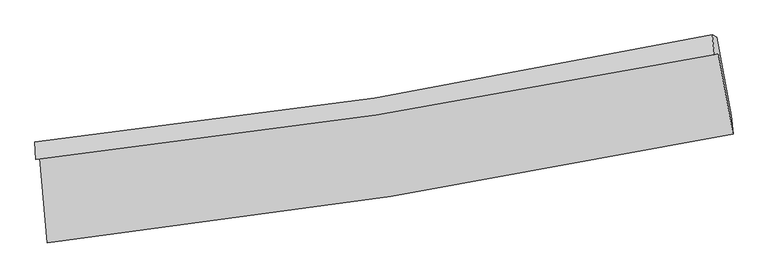
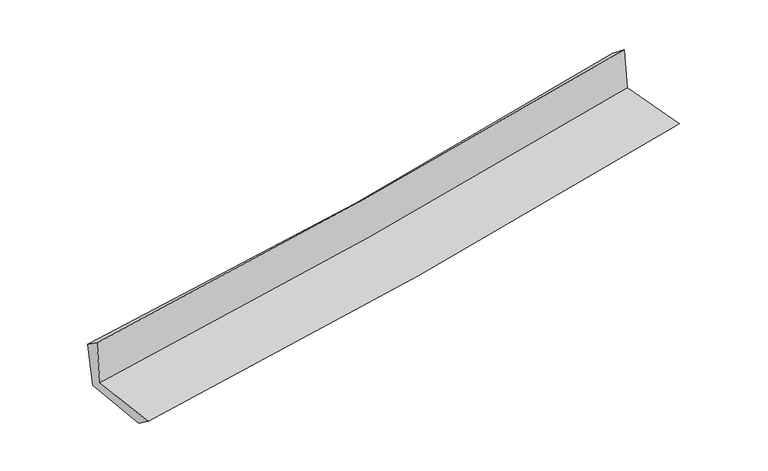
"""IFC4 building model written with IfcOpenShell, lengths in millimetres: proxy geometry."""

from ifc_helpers import new_model, si_unit, frame, origin, place, context, project, spatial, source, transform, mapped, element, save
from ifc_brep_helpers import plane_surface, spline_curve, spline_surface, advanced_brep


def generic_models_3df35e42(model_context):
    return source(origin(), model_context, "Body", "AdvancedBrep", [
        advanced_brep(
        [(-2748.4697836, -1896.8753223, 1627.7554279), (-2685.5612157, -2575.4415637, 1631.4501458), (2819.3617922, -1699.1321137, 2135.1566577), (2700.9911246, -1052.5406572, 2141.4597489), (-2781.0450465, -1905.2395736, 2039.9385171), (2669.7958917, -1060.5505625, 2536.1809676), (-2786.3324936, -1765.2564438, 1944.144223), (2651.1270283, -901.8885041, 2412.2925612), (-2751.3247114, -1783.2507976, 1532.2422722), (2687.9753793, -919.3635634, 2005.3850062), (-2690.6613551, -2427.3146689, 1523.9668543), (2803.3193958, -1550.5340429, 2001.6926983)],
        [
            (0, 1),
            (1, 2, spline_curve(3, [(-2685.5612157, -2575.4415637, 1631.4501458), (-1762.975738429, -2472.711113124, 1720.699472871), (-843.623994157, -2348.462239787, 1807.240670133), (991.369840471, -2056.488839368, 1975.159170278), (1906.992431747, -1888.634562972, 2056.52014326), (2819.3617922, -1699.1321137, 2135.1566577)], [4, 2, 4], [0.0, 9.122451261598725, 18.272364047968633])),
            (2, 3),
            (3, 0, spline_curve(3, [(2700.9911246, -1052.5406572, 2141.4597489), (1797.144038666, -1234.87660198, 2062.845826204), (890.411924821, -1396.480430683, 1980.660475153), (-926.092336077, -1677.801059915, 1809.404295655), (-1835.847191693, -1797.642119409, 1720.354873329), (-2748.4697836, -1896.8753223, 1627.7554279)], [4, 2, 4], [0.0, 9.149912786369908, 18.272364047968633])),
            (4, 0),
            (3, 5),
            (5, 4, spline_curve(3, [(2669.7958917, -1060.5505625, 2536.1809676), (1765.491055916, -1243.004042345, 2463.359070854), (858.415062701, -1404.696168, 2385.524913142), (-958.548526033, -1686.134737146, 2220.080721632), (-1868.419512094, -1806.005615203, 2132.500729137), (-2781.0450465, -1905.2395736, 2039.9385171)], [4, 2, 4], [0.0, 9.101598104128877, 18.175879689769598])),
            (6, 4),
            (5, 7),
            (7, 6, spline_curve(3, [(2651.1270283, -901.8885041, 2412.2925612), (1751.575642079, -1096.829706972, 2332.727960175), (847.991274076, -1266.31756965, 2253.875735796), (-964.519405083, -1553.954326844, 2097.830559204), (-1873.421544354, -1672.255777125, 2020.633337885), (-2786.3324936, -1765.2564438, 1944.144223)], [4, 2, 4], [0.0, 9.091548510378926, 18.155810663996277])),
            (8, 6),
            (7, 9),
            (9, 8, spline_curve(3, [(2687.9753793, -919.3635634, 2005.3850062), (1786.796434782, -1113.751729699, 1940.102115558), (882.245668296, -1283.006894854, 1867.962562415), (-930.874571395, -1570.818669806, 1710.20722179), (-1839.423834897, -1689.525916113, 1624.632530221), (-2751.3247114, -1783.2507976, 1532.2422722)], [4, 2, 4], [0.0, 9.083746323512589, 18.14022970687455])),
            (10, 8),
            (9, 11),
            (11, 10, spline_curve(3, [(2803.3193958, -1550.5340429, 2001.6926983), (1892.848690396, -1745.37179865, 1935.666346646), (979.088597387, -1915.92910193, 1862.772547144), (-852.258034851, -2208.043783893, 1703.489438343), (-1769.824858675, -2329.746689441, 1617.141290135), (-2690.6613551, -2427.3146689, 1523.9668543)], [4, 2, 4], [0.0, 9.13184110840644, 18.236274930354526])),
            (1, 10),
            (11, 2),
        ],
        [
            spline_surface(3, 3, [[(-2748.4697836, -1896.8753223, 1627.7554279), (-1835.847191653, -1797.642119396, 1720.354873415), (-926.092336133, -1677.801059791, 1809.404295763), (890.411924878, -1396.480430807, 1980.660475044), (1797.144038763, -1234.876601998, 2062.845826341), (2700.9911246, -1052.5406572, 2141.4597489)], [(-2727.500260993, -2123.064069447, 1628.987000552), (-1811.556707299, -2022.665117366, 1720.469739926), (-898.602888783, -1901.35478641, 1808.683087269), (924.064563375, -1616.48323369, 1978.826706744), (1833.760169792, -1452.795922347, 2060.737265364), (2740.448013795, -1268.07114269, 2139.358718506)], [(-2706.530738307, -2349.252816553, 1630.218573148), (-1787.266222867, -2247.688115297, 1720.584606381), (-871.113441419, -2124.908513055, 1807.961878768), (957.717201885, -1836.486036599, 1976.992938437), (1870.376300838, -1670.715242727, 2058.628704369), (2779.904903005, -1483.60162821, 2137.257688094)], [(-2685.5612157, -2575.4415637, 1631.4501458), (-1762.975738512, -2472.711113267, 1720.699472892), (-843.623994068, -2348.462239673, 1807.240670274), (991.369840381, -2056.488839482, 1975.159170137), (1906.992431868, -1888.634563076, 2056.520143392), (2819.3617922, -1699.1321137, 2135.1566577)]], [4, 4], [4, 2, 4], [0.0, 2.203494234509655], [0.0, 9.122451261598725, 18.272364047968633]),
            spline_surface(3, 3, [[(-2781.0450465, -1905.2395736, 2039.9385171), (-1868.419511959, -1806.005615135, 2132.500729215), (-958.548525925, -1686.13473713, 2220.080721633), (858.415062592, -1404.696168017, 2385.524913142), (1765.491055971, -1243.004042347, 2463.359070865), (2669.7958917, -1060.5505625, 2536.1809676)], [(-2770.186625508, -1902.45148982, 1902.544154026), (-1857.562071832, -1803.217783209, 1995.118777274), (-947.729795995, -1683.356844703, 2083.18857967), (869.080683353, -1401.957588967, 2250.570100437), (1776.042050264, -1240.294895587, 2329.854656015), (2680.194302696, -1057.88059409, 2404.607228024)], [(-2759.328204592, -1899.66340608, 1765.149790974), (-1846.70463178, -1800.429951322, 1857.736825356), (-936.911066062, -1680.578952218, 1946.296437726), (879.746304118, -1399.219009857, 2115.615287749), (1786.59304447, -1237.585748758, 2196.350241191), (2690.592713604, -1055.21062561, 2273.033488476)], [(-2748.4697836, -1896.8753223, 1627.7554279), (-1835.847191653, -1797.642119396, 1720.354873415), (-926.092336133, -1677.801059791, 1809.404295763), (890.411924878, -1396.480430807, 1980.660475044), (1797.144038763, -1234.876601998, 2062.845826341), (2700.9911246, -1052.5406572, 2141.4597489)]], [4, 4], [4, 2, 4], [0.0, 1.3422467591679434], [0.0, 9.07428158564072, 18.175879689769598]),
            spline_surface(3, 3, [[(-2786.3324936, -1765.2564438, 1944.144223), (-1873.421544344, -1672.255777001, 2020.633337827), (-964.519405121, -1553.954326702, 2097.830559294), (847.991274114, -1266.317569792, 2253.875735706), (1751.575642229, -1096.829706887, 2332.727960263), (2651.1270283, -901.8885041, 2412.2925612)], [(-2784.570011257, -1811.917487054, 1976.075654385), (-1871.754200239, -1716.839056367, 2057.922468308), (-962.529112051, -1598.014463502, 2138.580613433), (851.465870278, -1312.443769191, 2297.758794878), (1756.214113466, -1145.554485364, 2376.271663807), (2657.349982756, -954.77585689, 2453.588696676)], [(-2782.807528843, -1858.578530346, 2008.007085715), (-1870.086856064, -1761.422335769, 2095.211598734), (-960.538818995, -1642.074600329, 2179.330667494), (854.940466428, -1358.569968617, 2341.64185397), (1760.852584734, -1194.27926387, 2419.815367322), (2663.572937244, -1007.66320971, 2494.884832124)], [(-2781.0450465, -1905.2395736, 2039.9385171), (-1868.419511959, -1806.005615135, 2132.500729215), (-958.548525925, -1686.13473713, 2220.080721633), (858.415062592, -1404.696168017, 2385.524913142), (1765.491055971, -1243.004042347, 2463.359070865), (2669.7958917, -1060.5505625, 2536.1809676)]], [4, 4], [4, 2, 4], [0.0, 0.6093021866535534], [0.0, 9.064262153617351, 18.155810663996277]),
            spline_surface(3, 3, [[(-2751.3247114, -1783.2507976, 1532.2422722), (-1839.42383501, -1689.525916239, 1624.632530227), (-930.874571289, -1570.818669846, 1710.207221839), (882.24566819, -1283.006894813, 1867.962562366), (1786.796434702, -1113.751729806, 1940.102115453), (2687.9753793, -919.3635634, 2005.3850062)], [(-2762.993972113, -1777.25267968, 1669.542922444), (-1850.756404768, -1683.769203173, 1756.632799404), (-942.089515914, -1565.19722213, 1839.41500099), (870.827536818, -1277.443786472, 1996.600286812), (1775.056170545, -1108.111055497, 2070.97739707), (2675.692595634, -913.538543631, 2141.020857881)], [(-2774.663232887, -1771.25456172, 1806.843572756), (-1862.088974587, -1678.012490067, 1888.63306865), (-953.304460497, -1559.575774418, 1968.622780143), (859.409405487, -1271.880678133, 2125.23801126), (1763.315906386, -1102.470381196, 2201.852678645), (2663.409811966, -907.713523869, 2276.656709519)], [(-2786.3324936, -1765.2564438, 1944.144223), (-1873.421544344, -1672.255777001, 2020.633337827), (-964.519405121, -1553.954326702, 2097.830559294), (847.991274114, -1266.317569792, 2253.875735706), (1751.575642229, -1096.829706887, 2332.727960263), (2651.1270283, -901.8885041, 2412.2925612)]], [4, 4], [4, 2, 4], [0.0, 1.2749844770909116], [0.0, 9.056483383361961, 18.14022970687455]),
            spline_surface(3, 3, [[(-2690.6613551, -2427.3146689, 1523.9668543), (-1769.824858645, -2329.746689495, 1617.141290087), (-852.258034799, -2208.043783959, 1703.489438485), (979.088597334, -1915.929101864, 1862.772547002), (1892.848690463, -1745.371798705, 1935.666346609), (2803.3193958, -1550.5340429, 2001.6926983)], [(-2710.882473865, -2212.626711805, 1526.725326933), (-1793.024517432, -2116.339765081, 1619.638370133), (-878.463546948, -1995.635412571, 1705.728699579), (946.807620968, -1704.95503283, 1864.502552099), (1857.497938549, -1534.831775729, 1937.14493621), (2764.871390307, -1340.143883057, 2002.923467586)], [(-2731.103592635, -1997.938754695, 1529.483799567), (-1816.224176224, -1902.932840653, 1622.135450181), (-904.66905914, -1783.227041233, 1707.967960745), (914.526644557, -1493.980963847, 1866.232557269), (1822.147186616, -1324.291752781, 1938.623525852), (2726.423384793, -1129.753723243, 2004.154236914)], [(-2751.3247114, -1783.2507976, 1532.2422722), (-1839.42383501, -1689.525916239, 1624.632530227), (-930.874571289, -1570.818669846, 1710.207221839), (882.24566819, -1283.006894813, 1867.962562366), (1786.796434702, -1113.751729806, 1940.102115453), (2687.9753793, -919.3635634, 2005.3850062)]], [4, 4], [4, 2, 4], [0.0, 2.1034433614297687], [0.0, 9.104433821948085, 18.236274930354526]),
            spline_surface(3, 3, [[(-2685.5612157, -2575.4415637, 1631.4501458), (-1762.975738512, -2472.711113267, 1720.699472892), (-843.623994068, -2348.462239673, 1807.240670274), (991.369840381, -2056.488839482, 1975.159170137), (1906.992431868, -1888.634563076, 2056.520143392), (2819.3617922, -1699.1321137, 2135.1566577)], [(-2687.261262165, -2526.065932094, 1595.62238196), (-1765.258778555, -2425.056305337, 1686.180078618), (-846.502007644, -2301.656087784, 1772.656926346), (987.2760927, -2009.635593625, 1937.696962427), (1902.277851379, -1840.880308294, 2016.235544458), (2814.014326713, -1649.599423442, 2090.668671226)], [(-2688.961308635, -2476.690300506, 1559.79461814), (-1767.541818603, -2377.401497424, 1651.660684361), (-849.380021223, -2254.849935848, 1738.073182412), (983.182345016, -1962.782347721, 1900.234754711), (1897.563270952, -1793.126053487, 1975.950945544), (2808.666861287, -1600.066733158, 2046.180684774)], [(-2690.6613551, -2427.3146689, 1523.9668543), (-1769.824858645, -2329.746689495, 1617.141290087), (-852.258034799, -2208.043783959, 1703.489438485), (979.088597334, -1915.929101864, 1862.772547002), (1892.848690463, -1745.371798705, 1935.666346609), (2803.3193958, -1550.5340429, 2001.6926983)]], [4, 4], [4, 2, 4], [0.0, 0.5825540492161769], [0.0, 9.160379855766037, 18.348335413622312]),
            plane_surface(frame((2722.095102, -1197.3349073, 2205.3612733), z_axis=(0.9805506379965668, 0.17871736788529316, 0.08112058148631851), x_axis=(-0.09010563572628999, 0.04273193468908791, 0.9950150532369291))),
            plane_surface(frame((-2740.5657677, -2058.896395, 1716.5829067), z_axis=(-0.9924733713229168, -0.09244758364739346, -0.08031221259984286), x_axis=(-0.09231086193389466, 0.9957154771580116, -0.005421560385620356))),
        ],
        [
            (0, [[1, 2, 3, 4]]),
            (1, [[5, -4, 6, 7]]),
            (2, [[8, -7, 9, 10]]),
            (3, [[11, -10, 12, 13]]),
            (4, [[14, -13, 15, 16]]),
            (5, [[17, -16, 18, -2]]),
            (6, [[-12, -9, -6, -3, -18, -15]]),
            (7, [[-1, -5, -8, -11, -14, -17]]),
        ],
    ),
    ])


if __name__ == "__main__":
    model = new_model("IFC4")
    model_context = context("Model", 3, world=origin())
    ifc_project = project(units=[si_unit("LENGTHUNIT", "METRE", prefix="MILLI")], contexts=[model_context])
    site = spatial("IfcSite", under=ifc_project)
    building = spatial("IfcBuilding", under=site)
    placement = place(None, origin())
    generic_models_shape = generic_models_3df35e42(model_context)
    element("IfcBuildingElementProxy", 1, Name="Generic Models", at=placement, inside=building, context=model_context, shape_type="MappedRepresentation", body=[
        mapped(generic_models_shape, transform((0.0, 0.0, 0.0), x_axis=(1.0, 0.0, 0.0), y_axis=(0.0, 1.0, 0.0), z_axis=(0.0, 0.0, 1.0))),
    ])
    save(model, "model.ifc")
